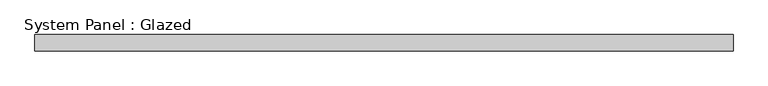
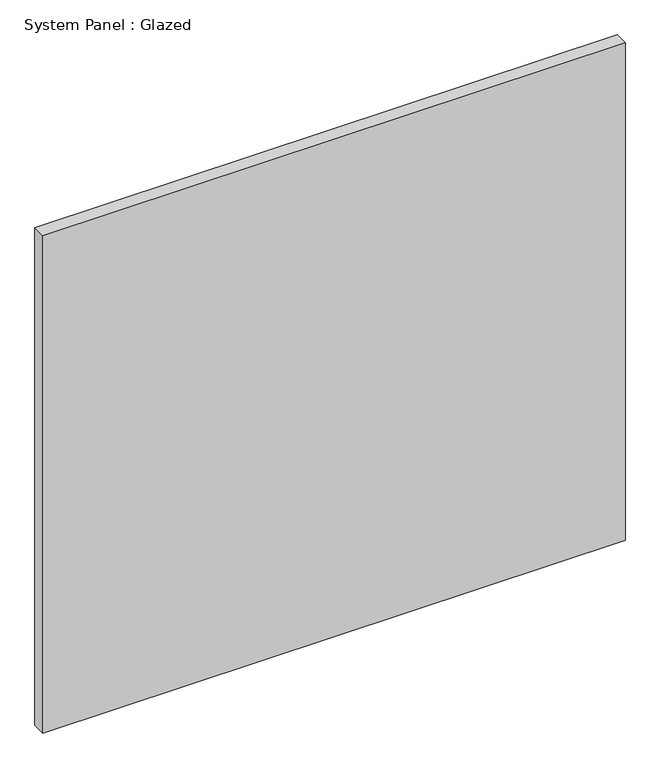
"""IFC4 building model written with IfcOpenShell, lengths in millimetres: plate geometry, System Panel : Glazed."""

from ifc_helpers import new_model, si_unit, origin, origin_with_axes, place, context, project, spatial, polyline, outline, extrude, source, transform, mapped, element, save


def system_panel_glazed_6417a9b5(model_context):
    return source(origin(), model_context, "Body", "SweptSolid", [
        extrude(outline(polyline([(535.6724388, 19.05), (-535.6724388, 19.05), (-535.6724388, 44.45), (535.6724388, 44.45), (535.6724388, 19.05)])), origin_with_axes(), (0.0, 0.0, 1.0), 966.6738216),
    ])


if __name__ == "__main__":
    model = new_model("IFC4")
    model_context = context("Model", 3, world=origin())
    ifc_project = project(units=[si_unit("LENGTHUNIT", "METRE", prefix="MILLI")], contexts=[model_context])
    site = spatial("IfcSite", under=ifc_project)
    building = spatial("IfcBuilding", under=site)
    placement = place(None, origin())
    system_panel_glazed_shape = system_panel_glazed_6417a9b5(model_context)
    element("IfcPlate", 1, ObjectType="System Panel : Glazed", at=placement, inside=building, context=model_context, shape_type="MappedRepresentation", body=[
        mapped(system_panel_glazed_shape, transform((0.0, 0.0, 0.0), x_axis=(1.0, 0.0, 0.0), y_axis=(0.0, 1.0, 0.0), z_axis=(0.0, 0.0, 1.0))),
    ])
    save(model, "model.ifc")
